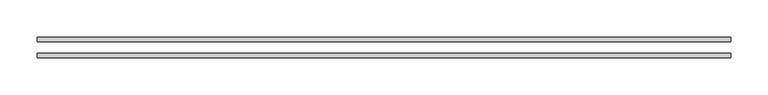
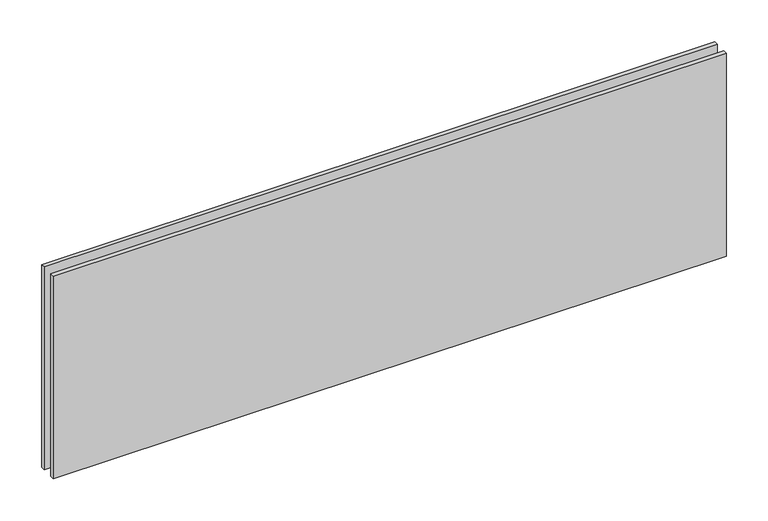
"""IFC4 building model written with IfcOpenShell, lengths in millimetres: plate geometry."""

from ifc_helpers import new_model, si_unit, origin, origin_with_axes, place, context, project, spatial, polyline, outline, extrude, source, transform, mapped, element, save


def plate_4f57aeb9(model_context):
    return source(origin(), model_context, "Body", "SweptSolid", [
        extrude(outline(polyline([(-467.7940491, 14.0), (467.7940491, 14.0), (467.7940491, 8.0), (-467.7940491, 8.0), (-467.7940491, 14.0)])), origin_with_axes(), (0.0, 0.0, 1.0), 298.0924145),
        extrude(outline(polyline([(-467.7940491, -8.0), (467.7940491, -8.0), (467.7940491, -14.0), (-467.7940491, -14.0), (-467.7940491, -8.0)])), origin_with_axes(), (0.0, 0.0, 1.0), 298.0924145),
    ])


if __name__ == "__main__":
    model = new_model("IFC4")
    model_context = context("Model", 3, world=origin())
    ifc_project = project(units=[si_unit("LENGTHUNIT", "METRE", prefix="MILLI")], contexts=[model_context])
    site = spatial("IfcSite", under=ifc_project)
    building = spatial("IfcBuilding", under=site)
    placement = place(None, origin())
    plate_shape = plate_4f57aeb9(model_context)
    element("IfcPlate", 1, at=placement, inside=building, context=model_context, shape_type="MappedRepresentation", body=[
        mapped(plate_shape, transform((0.0, 0.0, 0.0), x_axis=(1.0, 0.0, 0.0), y_axis=(0.0, 1.0, 0.0), z_axis=(0.0, 0.0, 1.0))),
    ])
    save(model, "model.ifc")
